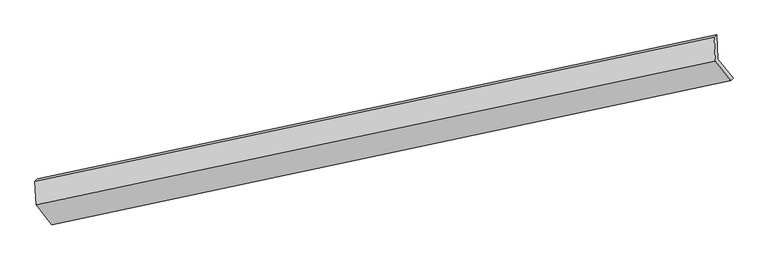
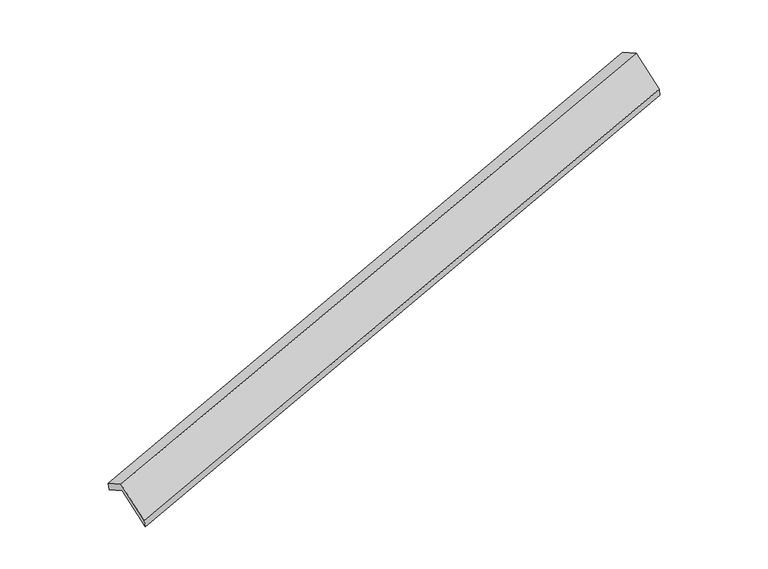
"""IFC4 building model written with IfcOpenShell, lengths in millimetres: proxy geometry."""

import ifcopenshell
import ifcopenshell.guid

model = None  # the IFC model being written
_history = None  # IfcOwnerHistory: only IFC2X3 demands one
_inside = {}  # id of a spatial element -> (the spatial element, [elements in it])
_under = {}  # id of a project, library or spatial element -> (it, [spatial elements below it])
_declared = {}  # id of a project -> (the project, [libraries it declares])
_typed = {}  # id of a type object -> (the type object, [elements of that type])
_made_of = {}  # id of a material, layer set ... -> (it, [elements and type objects made of it])


def new_model(schema):
    """Start an empty IFC model of exactly this schema.

    Asked for "IFC4X3", IfcOpenShell would pick the latest addendum, in which some entities
    have other attributes; the version numbers below select the first issue.
    IFC2X3 requires an IfcOwnerHistory on every rooted entity: one is made here for all.
    """
    global model, _history
    if schema == "IFC4X3":
        model = ifcopenshell.file(schema_version=(4, 3, 0, 0))
    else:
        model = ifcopenshell.file(schema=schema)
    _inside.clear()
    _under.clear()
    _declared.clear()
    _typed.clear()
    _made_of.clear()
    _history = None
    if model.schema == "IFC2X3":
        org = make("IfcOrganization", Name="unknown")
        user = make(
            "IfcPersonAndOrganization",
            ThePerson=make("IfcPerson", FamilyName="unknown"),
            TheOrganization=org,
        )
        app = make(
            "IfcApplication",
            ApplicationDeveloper=org,
            Version="unknown",
            ApplicationFullName="unknown",
            ApplicationIdentifier="unknown",
        )
        _history = make(
            "IfcOwnerHistory",
            OwningUser=user,
            OwningApplication=app,
            ChangeAction="ADDED",
            CreationDate=0,
        )
    return model


def make(cls, **values):
    """One entity of the class cls with the attributes given. An attribute that is None is left unset."""
    return model.create_entity(
        cls, **{name: value for name, value in values.items() if value is not None}
    )


def rooted(cls, **values):
    """An entity with a GlobalId (a new one), such as an element, a storey or a relation."""
    return make(cls, GlobalId=ifcopenshell.guid.new(), OwnerHistory=_history, **values)


def si_unit(unit_type, name, prefix=None):
    """IfcSIUnit, for example si_unit("LENGTHUNIT", "METRE", prefix="MILLI")."""
    return make("IfcSIUnit", UnitType=unit_type, Prefix=prefix, Name=name)


def assignment(units):
    """IfcUnitAssignment: the units of a project."""
    return None if units is None else make("IfcUnitAssignment", Units=units)


def point(xyz):
    """IfcCartesianPoint."""
    return None if xyz is None else make("IfcCartesianPoint", Coordinates=xyz)


def direction(xyz):
    """IfcDirection."""
    return None if xyz is None else make("IfcDirection", DirectionRatios=xyz)


def frame(location, z_axis=None, x_axis=None):
    """IfcAxis2Placement3D, a coordinate frame: its origin and axes. An axis left out is left unset."""
    return make(
        "IfcAxis2Placement3D",
        Location=point(location),
        Axis=direction(z_axis),
        RefDirection=direction(x_axis),
    )


def origin():
    """The frame at (0, 0, 0) with its axes left unset."""
    return frame((0.0, 0.0, 0.0))


def place(relative_to, where):
    """IfcLocalPlacement: puts the frame where relative to a parent placement (None: the world)."""
    return make(
        "IfcLocalPlacement", PlacementRelTo=relative_to, RelativePlacement=where
    )


def context(
    kind, dimensions, precision=None, world=None, true_north=None, identifier=None
):
    """IfcGeometricRepresentationContext, for example the 3D "Model" context."""
    return make(
        "IfcGeometricRepresentationContext",
        ContextIdentifier=identifier,
        ContextType=kind,
        CoordinateSpaceDimension=dimensions,
        Precision=precision,
        WorldCoordinateSystem=world,
        TrueNorth=true_north,
    )


def project(units=None, contexts=None):
    """IfcProject with its units and contexts."""
    return rooted(
        "IfcProject",
        Name="project",
        RepresentationContexts=contexts,
        UnitsInContext=assignment(units),
    )


def spatial(cls, under=None, at=None, **own):
    """A site, building, storey or space (cls), placed at a placement, below another one or the project."""
    s = rooted(cls, ObjectPlacement=at, **own)
    if under is not None:
        _under.setdefault(under.id(), (under, []))[1].append(s)
    return s


def faces_of(points, faces, orient=None, outer=None):
    """IfcFace entities. A face is a list of loops; a loop is a list of indices into points, from 0.

    orient and outer hold one flag for each loop. By default every Orientation is true, the
    first loop of a face is its IfcFaceOuterBound and the others are IfcFaceBound.
    """
    made = []
    for i, loops in enumerate(faces):
        bounds = []
        for j, loop in enumerate(loops):
            is_outer = j == 0 if outer is None else outer[i][j]
            bounds.append(
                make(
                    "IfcFaceOuterBound" if is_outer else "IfcFaceBound",
                    Bound=make("IfcPolyLoop", Polygon=[points[k] for k in loop]),
                    Orientation=True if orient is None else orient[i][j],
                )
            )
        made.append(make("IfcFace", Bounds=bounds))
    return made


def faceted_brep(points, faces, orient=None, outer=None, voids=None):
    """IfcFacetedBrep: a solid bounded by flat faces; with voids (closed shells), ...WithVoids."""
    shared = [point(p) for p in points]
    hull = make("IfcClosedShell", CfsFaces=faces_of(shared, faces, orient, outer))
    if voids is None:
        return make("IfcFacetedBrep", Outer=hull)
    return make(
        "IfcFacetedBrepWithVoids",
        Outer=hull,
        Voids=[
            make(cls, CfsFaces=faces_of(shared, fs, o, b)) for cls, fs, o, b in voids
        ],
    )


def shape(context_of_items, identifier, shape_type, items):
    """IfcShapeRepresentation: the items that make up one representation, for example the "Body"."""
    return make(
        "IfcShapeRepresentation",
        ContextOfItems=context_of_items,
        RepresentationIdentifier=identifier,
        RepresentationType=shape_type,
        Items=items,
    )


def source(mapping_origin, context_of_items, identifier, shape_type, items):
    """IfcRepresentationMap: a shape defined once, which mapped items show again and again."""
    return make(
        "IfcRepresentationMap",
        MappingOrigin=mapping_origin,
        MappedRepresentation=shape(context_of_items, identifier, shape_type, items),
    )


def transform(
    local_origin,
    x_axis=None,
    y_axis=None,
    z_axis=None,
    scale=None,
    scale2=None,
    scale3=None,
    uniform=True,
):
    """IfcCartesianTransformationOperator3D, or its non-uniform kind. x_axis, y_axis, z_axis: its Axis1, 2, 3."""
    if uniform:
        return make(
            "IfcCartesianTransformationOperator3D",
            Axis1=direction(x_axis),
            Axis2=direction(y_axis),
            LocalOrigin=point(local_origin),
            Scale=scale,
            Axis3=direction(z_axis),
        )
    return make(
        "IfcCartesianTransformationOperator3DnonUniform",
        Axis1=direction(x_axis),
        Axis2=direction(y_axis),
        LocalOrigin=point(local_origin),
        Scale=scale,
        Axis3=direction(z_axis),
        Scale2=scale2,
        Scale3=scale3,
    )


def mapped(mapping_source, mapping_target):
    """IfcMappedItem: shows the shape of a source again, moved by a transform."""
    return make(
        "IfcMappedItem", MappingSource=mapping_source, MappingTarget=mapping_target
    )


def made_of(thing, what):
    """Note that an element or type object is made of a material, layer set ...; save() writes the relation."""
    if what is not None:
        _made_of.setdefault(what.id(), (what, []))[1].append(thing)
    return thing


def element(
    cls,
    number,
    at=None,
    inside=None,
    cuts=None,
    type_object=None,
    material=None,
    context=None,
    identifier="Body",
    shape_type=None,
    held_by="IfcProductDefinitionShape",
    body=None,
    shapes=None,
    **own,
):
    """One element of the class cls, such as IfcWall. Its Tag is "e" and its number.

    at: its placement. inside: the storey or other place that contains it. cuts: it is an
    opening in that element (IfcRelVoidsElement). A single representation is given by context,
    identifier, shape_type and body (its items); several are given by shapes. held_by: the class
    of the entity that holds the representations. save() writes the other relations.
    """
    e = rooted(cls, Tag="e%d" % number, ObjectPlacement=at, **own)
    if body is not None:
        shapes = [shape(context, identifier, shape_type, body)]
    if shapes is not None:
        e.Representation = make(held_by, Representations=shapes)
    if inside is not None:
        _inside.setdefault(inside.id(), (inside, []))[1].append(e)
    if cuts is not None:
        rooted(
            "IfcRelVoidsElement", RelatingBuildingElement=cuts, RelatedOpeningElement=e
        )
    if type_object is not None:
        _typed.setdefault(type_object.id(), (type_object, []))[1].append(e)
    return made_of(e, material)


def aggregate(whole, parts):
    """IfcRelAggregates: a whole, such as a stair, and the parts it consists of."""
    return rooted("IfcRelAggregates", RelatingObject=whole, RelatedObjects=parts)


def save(model, path):
    """Write the relations noted so far, then the file.

    IfcRelAggregates (storeys below a building ...), IfcRelContainedInSpatialStructure (elements
    in a storey), IfcRelDefinesByType, IfcRelAssociatesMaterial and IfcRelDeclares: one each for
    every whole, place, type object, material and project.
    """
    for whole, parts in _under.values():
        aggregate(whole, parts)
    for where, things in _inside.values():
        rooted(
            "IfcRelContainedInSpatialStructure",
            RelatedElements=things,
            RelatingStructure=where,
        )
    for kind, things in _typed.values():
        rooted("IfcRelDefinesByType", RelatedObjects=things, RelatingType=kind)
    for what, things in _made_of.values():
        rooted("IfcRelAssociatesMaterial", RelatedObjects=things, RelatingMaterial=what)
    for by, libraries in _declared.values():
        rooted("IfcRelDeclares", RelatingContext=by, RelatedDefinitions=libraries)
    model.write(path)


def generic_models_79ecdff5(model_context):
    return source(origin(), model_context, "Body", "Brep", [
        faceted_brep([(-8634.0419939, -2722.822091, 422.8754351), (-8655.3617474, -2323.7990453, 208.1324509), (2774.5545856, 106.8236262, 3610.9344392), (2796.3443108, -300.9954649, 3830.4112076), (-8697.9326958, -2361.0998452, 378.4963069), (2731.9836373, 69.5228263, 3781.2982951), (-8676.6129422, -2760.1228909, 593.239291), (2753.7733625, -338.2962648, 4000.7750635), (-8414.1789618, -3093.5169006, -52.3087885), (3012.8101371, -667.3744916, 3363.5835989), (-8375.2789766, -3051.5525387, -213.6426277), (3051.7101222, -625.4101297, 3202.2497597)], [[[0, 1, 2, 3]], [[1, 4, 5, 2]], [[4, 6, 7, 5]], [[6, 8, 9, 7]], [[8, 10, 11, 9]], [[10, 0, 3, 11]], [[9, 11, 3, 2, 5, 7]], [[0, 10, 8, 6, 4, 1]]]),
    ])


if __name__ == "__main__":
    model = new_model("IFC4")
    model_context = context("Model", 3, world=origin())
    ifc_project = project(units=[si_unit("LENGTHUNIT", "METRE", prefix="MILLI")], contexts=[model_context])
    site = spatial("IfcSite", under=ifc_project)
    building = spatial("IfcBuilding", under=site)
    placement = place(None, origin())
    generic_models_shape = generic_models_79ecdff5(model_context)
    element("IfcBuildingElementProxy", 1, Name="Generic Models", at=placement, inside=building, context=model_context, shape_type="MappedRepresentation", body=[
        mapped(generic_models_shape, transform((0.0, 0.0, 0.0), x_axis=(1.0, 0.0, 0.0), y_axis=(0.0, 1.0, 0.0), z_axis=(0.0, 0.0, 1.0))),
    ])
    save(model, "model.ifc")
